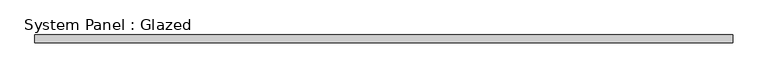
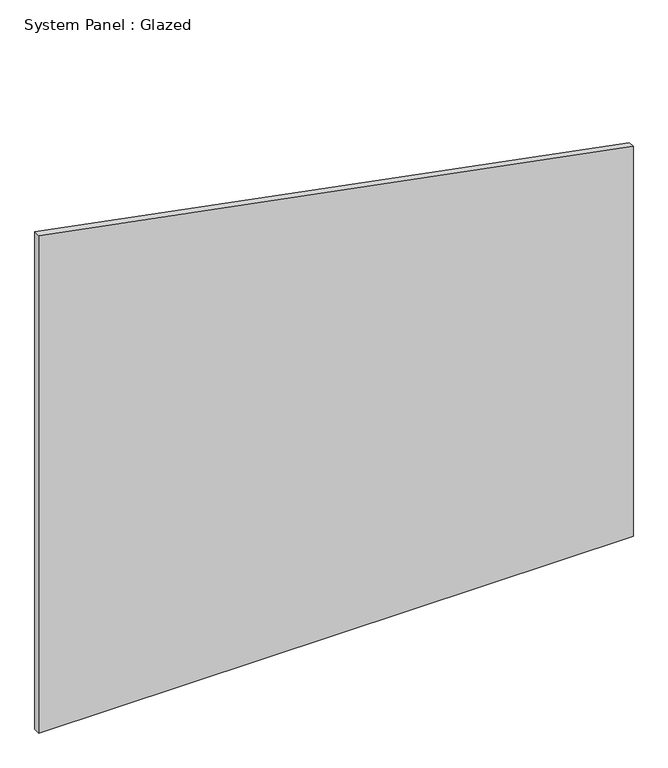
"""IFC4 building model written with IfcOpenShell, lengths in millimetres: plate geometry, System Panel : Glazed."""

from ifc_helpers import new_model, si_unit, frame, origin, place, context, project, spatial, polyline, outline, extrude, source, transform, mapped, element, save


def system_panel_glazed_79fd2432(model_context):
    return source(origin(), model_context, "Body", "SweptSolid", [
        extrude(outline(polyline([(0.0, -1141.6340625), (0.0, 1141.6340625), (1581.0599468, 1141.6340625), (2018.5013173, -1141.6340625), (0.0, -1141.6340625)])), frame((0.0, 24.5, 0.0), z_axis=(0.0, 1.0, 0.0), x_axis=(0.0, 0.0, 1.0)), (0.0, 0.0, 1.0), 25.0),
    ])


if __name__ == "__main__":
    model = new_model("IFC4")
    model_context = context("Model", 3, world=origin())
    ifc_project = project(units=[si_unit("LENGTHUNIT", "METRE", prefix="MILLI")], contexts=[model_context])
    site = spatial("IfcSite", under=ifc_project)
    building = spatial("IfcBuilding", under=site)
    placement = place(None, origin())
    system_panel_glazed_shape = system_panel_glazed_79fd2432(model_context)
    element("IfcPlate", 1, ObjectType="System Panel : Glazed", at=placement, inside=building, context=model_context, shape_type="MappedRepresentation", body=[
        mapped(system_panel_glazed_shape, transform((0.0, 0.0, 0.0), x_axis=(1.0, 0.0, 0.0), y_axis=(0.0, 1.0, 0.0), z_axis=(0.0, 0.0, 1.0))),
    ])
    save(model, "model.ifc")
